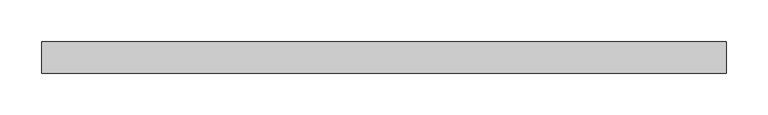
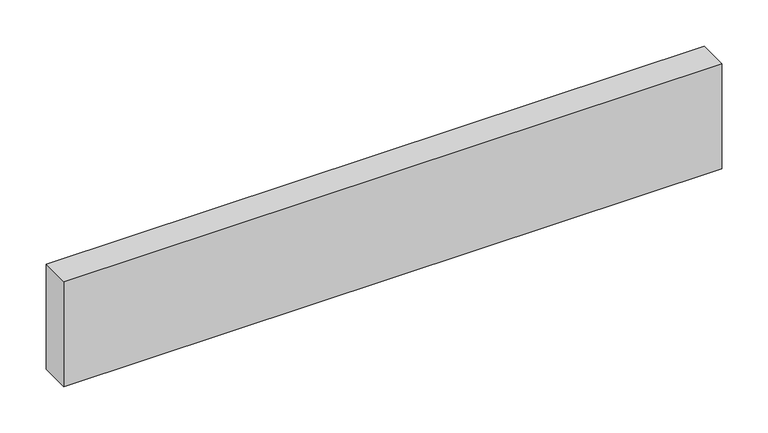
"""IFC4 building model written with IfcOpenShell, lengths in millimetres: beam geometry."""

from ifc_helpers import new_model, si_unit, frame, origin, place, context, project, spatial, polyline, outline, extrude, source, transform, mapped, element, save


def beam_cc8004e7(model_context):
    return source(origin(), model_context, "Body", "SweptSolid", [
        extrude(outline(polyline([(412.5515625, -19.05), (-412.5515625, -19.05), (-412.5515625, 19.05), (412.5515625, 19.05), (412.5515625, -19.05)])), frame((0.0, 0.0, -69.85), z_axis=(0.0, 0.0, 1.0), x_axis=(1.0, 0.0, 0.0)), (0.0, 0.0, 1.0), 139.7),
    ])


if __name__ == "__main__":
    model = new_model("IFC4")
    model_context = context("Model", 3, world=origin())
    ifc_project = project(units=[si_unit("LENGTHUNIT", "METRE", prefix="MILLI")], contexts=[model_context])
    site = spatial("IfcSite", under=ifc_project)
    building = spatial("IfcBuilding", under=site)
    placement = place(None, origin())
    beam_shape = beam_cc8004e7(model_context)
    element("IfcBeam", 1, at=placement, inside=building, context=model_context, shape_type="MappedRepresentation", body=[
        mapped(beam_shape, transform((0.0, 0.0, 0.0), x_axis=(1.0, 0.0, 0.0), y_axis=(0.0, 1.0, 0.0), z_axis=(0.0, 0.0, 1.0))),
    ])
    save(model, "model.ifc")
